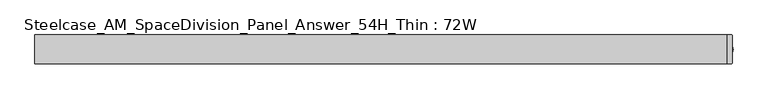
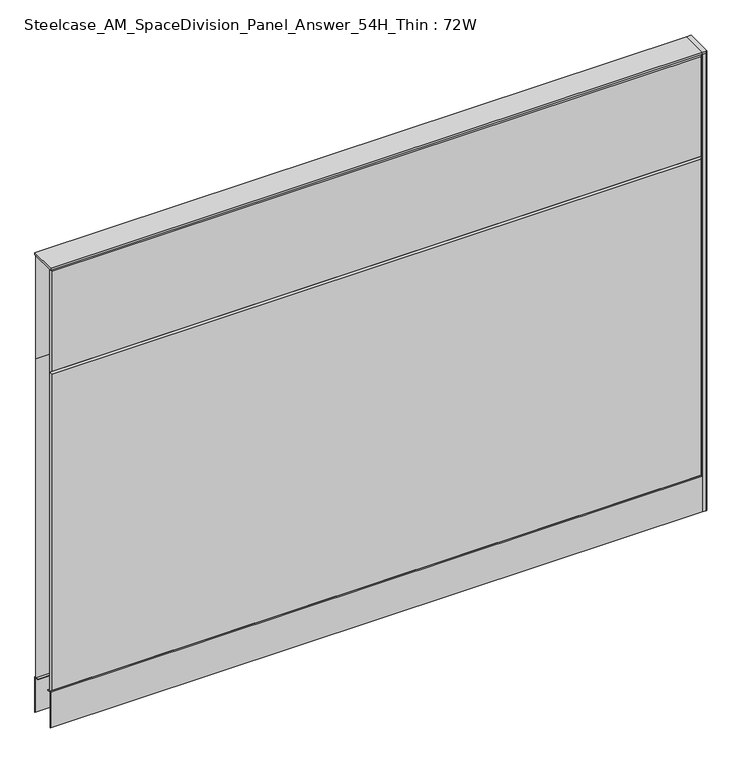
"""IFC4 building model written with IfcOpenShell, lengths in millimetres: furniture geometry, Steelcase_AM_SpaceDivision_Panel_Answer_54H_Thin : 72W."""

from ifc_helpers import new_model, si_unit, point, frame, frame_2d, origin, place, context, project, spatial, polyline, circle_curve, trimmed, segment, composite_curve, outline, extrude, faceted_brep, source, transform, mapped, element, save


def steelcase_am_spacedivision_panel_answer_54h_thin_72w_6f420040(model_context):
    return source(origin(), model_context, "Body", "SolidModel", [
        extrude(outline(polyline([(37.3075215, 119.8575157), (25.4000011, 119.8575157), (25.4000011, 120.65), (38.1000194, 120.65), (38.1000194, 15.494), (37.3075215, 15.494), (37.3075215, 119.8575157)])), frame((-914.4, 0.0, 0.0), z_axis=(1.0, 0.0, 0.0), x_axis=(0.0, 1.0, 0.0)), (0.0, 0.0, 1.0), 1828.8),
        extrude(outline(polyline([(-37.3075215, 119.8575157), (-37.3075215, 15.494), (-38.1000194, 15.494), (-38.1000194, 120.65), (-25.4000011, 120.65), (-25.4000011, 119.8575157), (-37.3075215, 119.8575157)])), frame((-914.4, 0.0, 0.0), z_axis=(1.0, 0.0, 0.0), x_axis=(0.0, 1.0, 0.0)), (0.0, 0.0, 1.0), 1828.8),
        extrude(outline(composite_curve([segment(trimmed(circle_curve(frame_2d((914.4, -1.94e-05)), 5.08), [point((919.48, -1.94e-05))], [point((909.32, -1.94e-05))], False, "CARTESIAN"), True, "CONTINUOUS"), segment(trimmed(circle_curve(frame_2d((914.4, -1.94e-05)), 5.08), [point((909.32, -1.94e-05))], [point((919.48, -1.94e-05))], False, "CARTESIAN"), True, "CONTINUOUS")], self_intersect=False)), frame((0.0, 0.0, 5.0799671), z_axis=(0.0, 0.0, 1.0), x_axis=(1.0, 0.0, 0.0)), (0.0, 0.0, 1.0), 10.414),
        extrude(outline(composite_curve([segment(trimmed(circle_curve(frame_2d((914.4, -1.94e-05)), 15.24), [point((929.64, -1.94e-05))], [point((899.16, -1.94e-05))], False, "CARTESIAN"), True, "CONTINUOUS"), segment(trimmed(circle_curve(frame_2d((914.4, -1.94e-05)), 15.24), [point((899.16, -1.94e-05))], [point((929.64, -1.94e-05))], False, "CARTESIAN"), True, "CONTINUOUS")], self_intersect=False)), frame((0.0, 0.0, -3.29e-05), z_axis=(0.0, 0.0, 1.0), x_axis=(1.0, 0.0, 0.0)), (0.0, 0.0, 1.0), 5.08),
        extrude(outline(composite_curve([segment(polyline([(927.1, 36.322), (927.1, -36.322)]), True, "CONTINUOUS"), segment(trimmed(circle_curve(frame_2d((925.322, -36.322)), 1.778), [point((927.1, -36.322))], [point((925.322, -38.1))], False, "CARTESIAN"), True, "CONTINUOUS"), segment(polyline([(925.322, -38.1), (914.4, -38.1), (914.4, 38.1), (925.322, 38.1)]), True, "CONTINUOUS"), segment(trimmed(circle_curve(frame_2d((925.322, 36.322)), 1.778), [point((925.322, 38.1))], [point((927.1, 36.322))], False, "CARTESIAN"), True, "CONTINUOUS")], self_intersect=False)), frame((0.0, 0.0, 1371.5999671), z_axis=(0.0, 0.0, 1.0), x_axis=(1.0, 0.0, 0.0)), (0.0, 0.0, 1.0), 6.35),
        extrude(outline(composite_curve([segment(polyline([(927.1, 36.322), (927.1, -36.322)]), True, "CONTINUOUS"), segment(trimmed(circle_curve(frame_2d((925.322, -36.322)), 1.778), [point((927.1, -36.322))], [point((925.322, -38.1))], False, "CARTESIAN"), True, "CONTINUOUS"), segment(polyline([(925.322, -38.1), (914.4, -38.1), (914.4, 38.1), (925.322, 38.1)]), True, "CONTINUOUS"), segment(trimmed(circle_curve(frame_2d((925.322, 36.322)), 1.778), [point((925.322, 38.1))], [point((927.1, 36.322))], False, "CARTESIAN"), True, "CONTINUOUS")], self_intersect=False)), frame((0.0, 0.0, 15.4939671), z_axis=(0.0, 0.0, 1.0), x_axis=(1.0, 0.0, 0.0)), (0.0, 0.0, 1.0), 1356.106),
        faceted_brep([(-909.574, 38.0960552, 1366.774), (909.574, 38.0960552, 1366.774), (909.574, 38.0960552, 1071.626), (-909.574, 38.0960552, 1071.626), (-914.4, 33.2700552, 1371.6), (-914.4, 33.2700552, 1066.8), (914.4, 33.2700552, 1066.8), (914.4, 33.2700552, 1371.6)], [[[0, 1, 2, 3]], [[4, 5, 6, 7]], [[4, 7, 1, 0]], [[7, 6, 2, 1]], [[6, 5, 3, 2]], [[5, 4, 0, 3]]]),
        faceted_brep([(-909.574, 38.0960552, 1061.974), (909.574, 38.0960552, 1061.974), (909.574, 38.0960552, 125.476), (-909.574, 38.0960552, 125.476), (-914.4, 33.2700552, 1066.8), (-914.4, 33.2700552, 120.65), (914.4, 33.2700552, 120.65), (914.4, 33.2700552, 1066.8)], [[[0, 1, 2, 3]], [[4, 5, 6, 7]], [[4, 7, 1, 0]], [[7, 6, 2, 1]], [[6, 5, 3, 2]], [[5, 4, 0, 3]]]),
        faceted_brep([(909.574, -38.0960552, 1366.774), (-909.574, -38.0960552, 1366.774), (-909.574, -38.0960552, 1071.626), (909.574, -38.0960552, 1071.626), (914.4, -33.2700552, 1371.6), (914.4, -33.2700552, 1066.8), (-914.4, -33.2700552, 1066.8), (-914.4, -33.2700552, 1371.6)], [[[0, 1, 2, 3]], [[4, 5, 6, 7]], [[4, 7, 1, 0]], [[7, 6, 2, 1]], [[6, 5, 3, 2]], [[5, 4, 0, 3]]]),
        faceted_brep([(909.574, -38.0960552, 1061.974), (-909.574, -38.0960552, 1061.974), (-909.574, -38.0960552, 125.476), (909.574, -38.0960552, 125.476), (914.4, -33.2700552, 1066.8), (914.4, -33.2700552, 120.65), (-914.4, -33.2700552, 120.65), (-914.4, -33.2700552, 1066.8)], [[[0, 1, 2, 3]], [[4, 5, 6, 7]], [[4, 7, 1, 0]], [[7, 6, 2, 1]], [[6, 5, 3, 2]], [[5, 4, 0, 3]]]),
        extrude(outline(polyline([(914.4, 38.1000194), (914.4, -38.1000194), (-914.4, -38.1000194), (-914.4, 38.1000194), (914.4, 38.1000194)])), frame((0.0, 0.0, 1371.6), z_axis=(0.0, 0.0, 1.0), x_axis=(1.0, 0.0, 0.0)), (0.0, 0.0, 1.0), 6.35),
    ])


if __name__ == "__main__":
    model = new_model("IFC4")
    model_context = context("Model", 3, world=origin())
    ifc_project = project(units=[si_unit("LENGTHUNIT", "METRE", prefix="MILLI")], contexts=[model_context])
    site = spatial("IfcSite", under=ifc_project)
    building = spatial("IfcBuilding", under=site)
    placement = place(None, origin())
    steelcase_am_spacedivision_panel_answer_54h_thin_72w_shape = steelcase_am_spacedivision_panel_answer_54h_thin_72w_6f420040(model_context)
    element("IfcFurniture", 1, ObjectType="Steelcase_AM_SpaceDivision_Panel_Answer_54H_Thin : 72W", at=placement, inside=building, context=model_context, shape_type="MappedRepresentation", body=[
        mapped(steelcase_am_spacedivision_panel_answer_54h_thin_72w_shape, transform((0.0, 0.0, 0.0), x_axis=(1.0, 0.0, 0.0), y_axis=(0.0, 1.0, 0.0), z_axis=(0.0, 0.0, 1.0))),
    ])
    save(model, "model.ifc")
